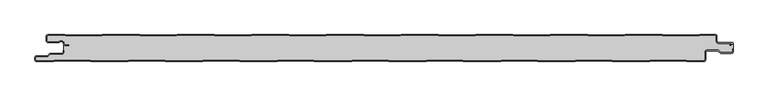
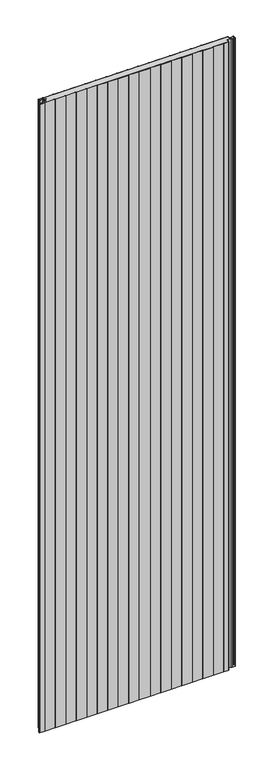
"""IFC4 building model written with IfcOpenShell, lengths in millimetres: plate geometry."""

from ifc_helpers import new_model, si_unit, point, frame_2d, origin, origin_with_axes, place, context, project, spatial, polyline, circle_curve, trimmed, segment, composite_curve, outline, extrude, source, transform, mapped, element, save


def plate_0dfb673c(model_context):
    return source(origin(), model_context, "Body", "SweptSolid", [
        extrude(outline(composite_curve([segment(polyline([(-517.0, -37.5), (-517.0, -34.5)]), True, "CONTINUOUS"), segment(trimmed(circle_curve(frame_2d((-514.5, -34.5)), 2.5), [point((-517.0, -34.5))], [point((-514.5, -32.0))], False, "CARTESIAN"), True, "CONTINUOUS"), segment(polyline([(-514.5, -32.0), (-498.5, -32.0), (-494.75, -28.25), (-477.0, -28.25)]), True, "CONTINUOUS"), segment(trimmed(circle_curve(frame_2d((-477.0, -26.25)), 2.0), [point((-477.0, -28.25))], [point((-475.0, -26.25))], True, "CARTESIAN"), True, "CONTINUOUS"), segment(polyline([(-475.0, -26.25), (-475.0, -23.25), (-474.2, -23.25), (-474.2, -26.25)]), True, "CONTINUOUS"), segment(trimmed(circle_curve(frame_2d((-477.0, -26.25)), 2.8), [point((-474.2, -26.25))], [point((-477.0, -29.05))], False, "CARTESIAN"), True, "CONTINUOUS"), segment(polyline([(-477.0, -29.05), (-494.4186292, -29.05), (-498.1686292, -32.8), (-514.5, -32.8)]), True, "CONTINUOUS"), segment(trimmed(circle_curve(frame_2d((-514.5, -34.5)), 1.7), [point((-514.5, -32.8))], [point((-516.2, -34.5))], True, "CARTESIAN"), True, "CONTINUOUS"), segment(polyline([(-516.2, -34.5), (-516.2, -37.5)]), True, "CONTINUOUS"), segment(trimmed(circle_curve(frame_2d((-514.5, -37.5)), 1.7), [point((-516.2, -37.5))], [point((-514.5, -39.2))], True, "CARTESIAN"), True, "CONTINUOUS"), segment(polyline([(-514.5, -39.2), (-489.4444842, -39.2), (-488.4469842, -38.6), (-434.4430158, -38.6), (-433.4455158, -39.2), (-378.3344842, -39.2), (-377.3369842, -38.6), (-323.3330158, -38.6), (-322.3355158, -39.2), (-267.2244842, -39.2), (-266.2269842, -38.6), (-212.2230158, -38.6), (-211.2255158, -39.2), (-156.1144842, -39.2), (-155.1169842, -38.6), (-101.1130158, -38.6), (-100.1155158, -39.2), (-45.0044842, -39.2), (-44.0069842, -38.6), (9.9969842, -38.6), (10.9944842, -39.2), (66.1055158, -39.2), (67.1030158, -38.6), (121.1069842, -38.6), (122.1044842, -39.2), (177.2155158, -39.2), (178.2130158, -38.6), (232.2169842, -38.6), (233.2144842, -39.2), (288.3255158, -39.2), (289.3230158, -38.6), (343.3269842, -38.6), (344.3244842, -39.2), (399.4355158, -39.2), (400.4330158, -38.6), (454.4369842, -38.6), (455.4344842, -39.2), (480.5, -39.2)]), True, "CONTINUOUS"), segment(trimmed(circle_curve(frame_2d((480.5, -37.5)), 1.7), [point((480.5, -39.2))], [point((482.2, -37.5))], True, "CARTESIAN"), True, "CONTINUOUS"), segment(polyline([(482.2, -37.5), (482.2, -26.0)]), True, "CONTINUOUS"), segment(trimmed(circle_curve(frame_2d((485.0, -26.0)), 2.8), [point((482.2, -26.0))], [point((485.0, -23.2))], False, "CARTESIAN"), True, "CONTINUOUS"), segment(polyline([(485.0, -23.2), (501.7886271, -23.2), (505.8492873, -26.95), (521.5, -26.95)]), True, "CONTINUOUS"), segment(trimmed(circle_curve(frame_2d((521.5, -25.25)), 1.7), [point((521.5, -26.95))], [point((523.2, -25.25))], True, "CARTESIAN"), True, "CONTINUOUS"), segment(polyline([(523.2, -25.25), (523.2, -21.75), (524.0, -21.75), (524.0, -25.25)]), True, "CONTINUOUS"), segment(trimmed(circle_curve(frame_2d((521.5, -25.25)), 2.5), [point((524.0, -25.25))], [point((521.5, -27.75))], False, "CARTESIAN"), True, "CONTINUOUS"), segment(polyline([(521.5, -27.75), (505.5363961, -27.75), (501.4757359, -24.0), (485.0, -24.0)]), True, "CONTINUOUS"), segment(trimmed(circle_curve(frame_2d((485.0, -26.0)), 2.0), [point((485.0, -24.0))], [point((483.0, -26.0))], True, "CARTESIAN"), True, "CONTINUOUS"), segment(polyline([(483.0, -26.0), (483.0, -37.5)]), True, "CONTINUOUS"), segment(trimmed(circle_curve(frame_2d((480.5, -37.5)), 2.5), [point((483.0, -37.5))], [point((480.5, -40.0))], False, "CARTESIAN"), True, "CONTINUOUS"), segment(polyline([(480.5, -40.0), (455.2124211, -40.0), (454.2149211, -39.4), (400.6550789, -39.4), (399.6575789, -40.0), (344.1024211, -40.0), (343.1049211, -39.4), (289.5450789, -39.4), (288.5475789, -40.0), (232.9924211, -40.0), (231.9949211, -39.4), (178.4350789, -39.4), (177.4375789, -40.0), (121.8824211, -40.0), (120.8849211, -39.4), (67.3250789, -39.4), (66.3275789, -40.0), (10.7724211, -40.0), (9.7749211, -39.4), (-43.7849211, -39.4), (-44.7824211, -40.0), (-100.3375789, -40.0), (-101.3350789, -39.4), (-154.8949211, -39.4), (-155.8924211, -40.0), (-211.4475789, -40.0), (-212.4450789, -39.4), (-266.0049211, -39.4), (-267.0024211, -40.0), (-322.5575789, -40.0), (-323.5550789, -39.4), (-377.1149211, -39.4), (-378.1124211, -40.0), (-433.6675789, -40.0), (-434.6650789, -39.4), (-488.2249211, -39.4), (-489.2224211, -40.0), (-514.5, -40.0)]), True, "CONTINUOUS"), segment(trimmed(circle_curve(frame_2d((-514.5, -37.5)), 2.5), [point((-514.5, -40.0))], [point((-517.0, -37.5))], False, "CARTESIAN"), True, "CONTINUOUS")], self_intersect=False)), origin_with_axes(), (0.0, 0.0, 1.0), 3500.0),
        extrude(outline(composite_curve([segment(trimmed(circle_curve(frame_2d((-497.49499, -9.0180361)), 2.50501), [point((-497.49499, -11.5230461))], [point((-500.0, -9.0180361))], False, "CARTESIAN"), True, "CONTINUOUS"), segment(polyline([(-500.0, -9.0180361), (-500.0, -2.50501)]), True, "CONTINUOUS"), segment(trimmed(circle_curve(frame_2d((-497.49499, -2.50501)), 2.50501), [point((-500.0, -2.50501))], [point((-497.49499, 0.0))], False, "CARTESIAN"), True, "CONTINUOUS"), segment(polyline([(-497.49499, 0.0), (-472.2103007, 0.0), (-471.028188, -0.6012024), (-417.6391467, -0.6012024), (-416.457034, 0.0), (-360.8776353, 0.0), (-359.6955227, -0.6012024), (-306.3064814, -0.6012024), (-305.1243687, 0.0), (-249.54497, 0.0), (-248.3628573, -0.6012024), (-194.973816, -0.6012024), (-193.7917033, 0.0), (-138.2123047, 0.0), (-137.030192, -0.6012024), (-83.6411507, -0.6012024), (-82.459038, 0.0), (-26.8796393, 0.0), (-25.6975267, -0.6012024), (27.6915146, -0.6012024), (28.8736273, 0.0), (84.453026, 0.0), (85.6351387, -0.6012024), (139.02418, -0.6012024), (140.2062927, 0.0), (195.7856913, 0.0), (196.967804, -0.6012024), (250.3568453, -0.6012024), (251.538958, 0.0), (307.1183566, 0.0), (308.3004693, -0.6012024), (361.6895106, -0.6012024), (362.8716233, 0.0), (418.451022, 0.0), (419.6331347, -0.6012024), (473.022176, -0.6012024), (474.2042886, 0.0), (497.49499, 0.0)]), True, "CONTINUOUS"), segment(trimmed(circle_curve(frame_2d((497.49499, -2.50501)), 2.50501), [point((497.49499, 0.0))], [point((500.0, -2.50501))], False, "CARTESIAN"), True, "CONTINUOUS"), segment(polyline([(500.0, -2.50501), (500.0, -10.0200401)]), True, "CONTINUOUS"), segment(trimmed(circle_curve(frame_2d((502.004008, -10.0200401)), 2.004008), [point((500.0, -10.0200401))], [point((502.004008, -12.0240481))], True, "CARTESIAN"), True, "CONTINUOUS"), segment(polyline([(502.004008, -12.0240481), (522.96027, -12.0240481)]), True, "CONTINUOUS"), segment(trimmed(circle_curve(frame_2d((522.96027, -13.0490481)), 1.025), [point((522.96027, -12.0240481))], [point((523.47277, -13.9367241))], False, "CARTESIAN"), True, "CONTINUOUS"), segment(polyline([(523.47277, -13.9367241), (519.5390782, -16.2078422), (519.1390782, -15.5150218), (522.183956, -13.7570608)]), True, "CONTINUOUS"), segment(trimmed(circle_curve(frame_2d((521.933956, -13.3240481)), 0.5), [point((522.183956, -13.7570608))], [point((521.933956, -12.8240481))], True, "CARTESIAN"), True, "CONTINUOUS"), segment(polyline([(521.933956, -12.8240481), (502.004008, -12.8240481)]), True, "CONTINUOUS"), segment(trimmed(circle_curve(frame_2d((502.004008, -10.0200401)), 2.804008), [point((502.004008, -12.8240481))], [point((499.2, -10.0200401))], False, "CARTESIAN"), True, "CONTINUOUS"), segment(polyline([(499.2, -10.0200401), (499.2, -2.50501)]), True, "CONTINUOUS"), segment(trimmed(circle_curve(frame_2d((497.49499, -2.50501)), 1.70501), [point((499.2, -2.50501))], [point((497.49499, -0.8))], True, "CARTESIAN"), True, "CONTINUOUS"), segment(polyline([(497.49499, -0.8), (474.396035, -0.8), (473.2139223, -1.4012024), (419.4413883, -1.4012024), (418.2592756, -0.8), (363.0633697, -0.8), (361.881257, -1.4012024), (308.108723, -1.4012024), (306.9266103, -0.8), (251.7307044, -0.8), (250.5485917, -1.4012024), (196.7760576, -1.4012024), (195.5939449, -0.8), (140.398039, -0.8), (139.2159263, -1.4012024), (85.4433923, -1.4012024), (84.2612796, -0.8), (29.0653737, -0.8), (27.883261, -1.4012024), (-25.889273, -1.4012024), (-27.0713857, -0.8), (-82.2672916, -0.8), (-83.4494043, -1.4012024), (-137.2219384, -1.4012024), (-138.4040511, -0.8), (-193.599957, -0.8), (-194.7820696, -1.4012024), (-248.5546037, -1.4012024), (-249.7367164, -0.8), (-304.9326223, -0.8), (-306.114735, -1.4012024), (-359.887269, -1.4012024), (-361.0693817, -0.8), (-416.2652876, -0.8), (-417.4474003, -1.4012024), (-471.2199344, -1.4012024), (-472.4020471, -0.8), (-497.49499, -0.8)]), True, "CONTINUOUS"), segment(trimmed(circle_curve(frame_2d((-497.49499, -2.50501)), 1.70501), [point((-497.49499, -0.8))], [point((-499.2, -2.50501))], True, "CARTESIAN"), True, "CONTINUOUS"), segment(polyline([(-499.2, -2.50501), (-499.2, -9.0180361)]), True, "CONTINUOUS"), segment(trimmed(circle_curve(frame_2d((-497.49499, -9.0180361)), 1.70501), [point((-499.2, -9.0180361))], [point((-497.49499, -10.7230461))], True, "CARTESIAN"), True, "CONTINUOUS"), segment(polyline([(-497.49499, -10.7230461), (-481.8173283, -10.7230461)]), True, "CONTINUOUS"), segment(trimmed(circle_curve(frame_2d((-481.8173283, -9.0180361)), 1.70501), [point((-481.8173283, -10.7230461))], [point((-480.6895701, -10.2967936))], True, "CARTESIAN"), True, "CONTINUOUS"), segment(trimmed(circle_curve(frame_2d((-477.8407481, -13.5270541)), 4.307014), [point((-480.6895701, -10.2967936))], [point((-473.7934788, -12.0539686))], False, "CARTESIAN"), True, "CONTINUOUS"), segment(polyline([(-473.7934788, -12.0539686), (-473.0450711, -14.1102019)]), True, "CONTINUOUS"), segment(trimmed(circle_curve(frame_2d((-471.4428858, -13.5270541)), 1.70501), [point((-473.0450711, -14.1102019))], [point((-471.4428858, -15.2320641))], True, "CARTESIAN"), True, "CONTINUOUS"), segment(polyline([(-471.4428858, -15.2320641), (-466.4328657, -15.2320641), (-466.4328657, -16.0320641), (-471.4428858, -16.0320641)]), True, "CONTINUOUS"), segment(trimmed(circle_curve(frame_2d((-471.4428858, -13.5270541)), 2.50501), [point((-471.4428858, -16.0320641))], [point((-473.7968252, -14.383818))], False, "CARTESIAN"), True, "CONTINUOUS"), segment(polyline([(-473.7968252, -14.383818), (-474.5452329, -12.3275847)]), True, "CONTINUOUS"), segment(trimmed(circle_curve(frame_2d((-477.8407481, -13.5270541)), 3.507014), [point((-474.5452329, -12.3275847))], [point((-480.1604199, -10.8967936))], True, "CARTESIAN"), True, "CONTINUOUS"), segment(trimmed(circle_curve(frame_2d((-481.8173283, -9.0180361)), 2.50501), [point((-480.1604199, -10.8967936))], [point((-481.8173283, -11.5230461))], False, "CARTESIAN"), True, "CONTINUOUS"), segment(polyline([(-481.8173283, -11.5230461), (-497.49499, -11.5230461)]), True, "CONTINUOUS")], self_intersect=False)), origin_with_axes(), (0.0, 0.0, 1.0), 3500.0),
        extrude(outline(composite_curve([segment(trimmed(circle_curve(frame_2d((521.5, -25.25)), 1.7), [point((523.2, -25.25))], [point((521.5, -26.95))], False, "CARTESIAN"), True, "CONTINUOUS"), segment(polyline([(521.5, -26.95), (505.8492873, -26.95), (501.7886271, -23.2), (485.0, -23.2)]), True, "CONTINUOUS"), segment(trimmed(circle_curve(frame_2d((485.0, -26.0)), 2.8), [point((485.0, -23.2))], [point((482.2, -26.0))], True, "CARTESIAN"), True, "CONTINUOUS"), segment(polyline([(482.2, -26.0), (482.2, -37.5)]), True, "CONTINUOUS"), segment(trimmed(circle_curve(frame_2d((480.5, -37.5)), 1.7), [point((482.2, -37.5))], [point((480.5, -39.2))], False, "CARTESIAN"), True, "CONTINUOUS"), segment(polyline([(480.5, -39.2), (455.4344842, -39.2), (454.4369842, -38.6), (400.4330158, -38.6), (399.4355158, -39.2), (344.3244842, -39.2), (343.3269842, -38.6), (289.3230158, -38.6), (288.3255158, -39.2), (233.2144842, -39.2), (232.2169842, -38.6), (178.2130158, -38.6), (177.2155158, -39.2), (122.1044842, -39.2), (121.1069842, -38.6), (67.1030158, -38.6), (66.1055158, -39.2), (10.9944842, -39.2), (9.9969842, -38.6), (-44.0069842, -38.6), (-45.0044842, -39.2), (-100.1155158, -39.2), (-101.1130158, -38.6), (-155.1169842, -38.6), (-156.1144842, -39.2), (-211.2255158, -39.2), (-212.2230158, -38.6), (-266.2269842, -38.6), (-267.2244842, -39.2), (-322.3355158, -39.2), (-323.3330158, -38.6), (-377.3369842, -38.6), (-378.3344842, -39.2), (-433.4455158, -39.2), (-434.4430158, -38.6), (-488.4469842, -38.6), (-489.4444842, -39.2), (-514.5, -39.2)]), True, "CONTINUOUS"), segment(trimmed(circle_curve(frame_2d((-514.5, -37.5)), 1.7), [point((-514.5, -39.2))], [point((-516.2, -37.5))], False, "CARTESIAN"), True, "CONTINUOUS"), segment(polyline([(-516.2, -37.5), (-516.2, -34.5)]), True, "CONTINUOUS"), segment(trimmed(circle_curve(frame_2d((-514.5, -34.5)), 1.7), [point((-516.2, -34.5))], [point((-514.5, -32.8))], False, "CARTESIAN"), True, "CONTINUOUS"), segment(polyline([(-514.5, -32.8), (-498.1686292, -32.8), (-494.4186292, -29.05), (-477.0, -29.05)]), True, "CONTINUOUS"), segment(trimmed(circle_curve(frame_2d((-477.0, -26.25)), 2.8), [point((-477.0, -29.05))], [point((-474.2, -26.25))], True, "CARTESIAN"), True, "CONTINUOUS"), segment(polyline([(-474.2, -26.25), (-474.2, -11.2258973)]), True, "CONTINUOUS"), segment(trimmed(circle_curve(frame_2d((-477.8407481, -13.5270541)), 4.307014), [point((-474.2, -11.2258973))], [point((-480.6895701, -10.2967936))], True, "CARTESIAN"), True, "CONTINUOUS"), segment(trimmed(circle_curve(frame_2d((-481.8173283, -9.0180361)), 1.70501), [point((-480.6895701, -10.2967936))], [point((-481.8173283, -10.7230461))], False, "CARTESIAN"), True, "CONTINUOUS"), segment(polyline([(-481.8173283, -10.7230461), (-497.49499, -10.7230461)]), True, "CONTINUOUS"), segment(trimmed(circle_curve(frame_2d((-497.49499, -9.0180361)), 1.70501), [point((-497.49499, -10.7230461))], [point((-499.2, -9.0180361))], False, "CARTESIAN"), True, "CONTINUOUS"), segment(polyline([(-499.2, -9.0180361), (-499.2, -2.50501)]), True, "CONTINUOUS"), segment(trimmed(circle_curve(frame_2d((-497.49499, -2.50501)), 1.70501), [point((-499.2, -2.50501))], [point((-497.49499, -0.8))], False, "CARTESIAN"), True, "CONTINUOUS"), segment(polyline([(-497.49499, -0.8), (-472.4020471, -0.8), (-471.2199344, -1.4012024), (-417.4474003, -1.4012024), (-416.2652876, -0.8), (-361.0693817, -0.8), (-359.887269, -1.4012024), (-306.114735, -1.4012024), (-304.9326223, -0.8), (-249.7367164, -0.8), (-248.5546037, -1.4012024), (-194.7820696, -1.4012024), (-193.599957, -0.8), (-138.4040511, -0.8), (-137.2219384, -1.4012024), (-83.4494043, -1.4012024), (-82.2672916, -0.8), (-27.0713857, -0.8), (-25.889273, -1.4012024), (27.883261, -1.4012024), (29.0653737, -0.8), (84.2612796, -0.8), (85.4433923, -1.4012024), (139.2159263, -1.4012024), (140.398039, -0.8), (195.5939449, -0.8), (196.7760576, -1.4012024), (250.5485917, -1.4012024), (251.7307044, -0.8), (306.9266103, -0.8), (308.108723, -1.4012024), (361.881257, -1.4012024), (363.0633697, -0.8), (418.2592756, -0.8), (419.4413883, -1.4012024), (473.2139223, -1.4012024), (474.396035, -0.8), (497.49499, -0.8)]), True, "CONTINUOUS"), segment(trimmed(circle_curve(frame_2d((497.49499, -2.50501)), 1.70501), [point((497.49499, -0.8))], [point((499.2, -2.50501))], False, "CARTESIAN"), True, "CONTINUOUS"), segment(polyline([(499.2, -2.50501), (499.2, -10.0200401)]), True, "CONTINUOUS"), segment(trimmed(circle_curve(frame_2d((502.004008, -10.0200401)), 2.804008), [point((499.2, -10.0200401))], [point((502.004008, -12.8240481))], True, "CARTESIAN"), True, "CONTINUOUS"), segment(polyline([(502.004008, -12.8240481), (524.0, -12.8240481), (524.0, -21.75), (523.2, -21.75), (523.2, -25.25)]), True, "CONTINUOUS")], self_intersect=False)), origin_with_axes(), (0.0, 0.0, 1.0), 3500.0),
    ])


if __name__ == "__main__":
    model = new_model("IFC4")
    model_context = context("Model", 3, world=origin())
    ifc_project = project(units=[si_unit("LENGTHUNIT", "METRE", prefix="MILLI")], contexts=[model_context])
    site = spatial("IfcSite", under=ifc_project)
    building = spatial("IfcBuilding", under=site)
    placement = place(None, origin())
    plate_shape = plate_0dfb673c(model_context)
    element("IfcPlate", 1, at=placement, inside=building, context=model_context, shape_type="MappedRepresentation", body=[
        mapped(plate_shape, transform((0.0, 0.0, 0.0), x_axis=(1.0, 0.0, 0.0), y_axis=(0.0, 1.0, 0.0), z_axis=(0.0, 0.0, 1.0))),
    ])
    save(model, "model.ifc")
